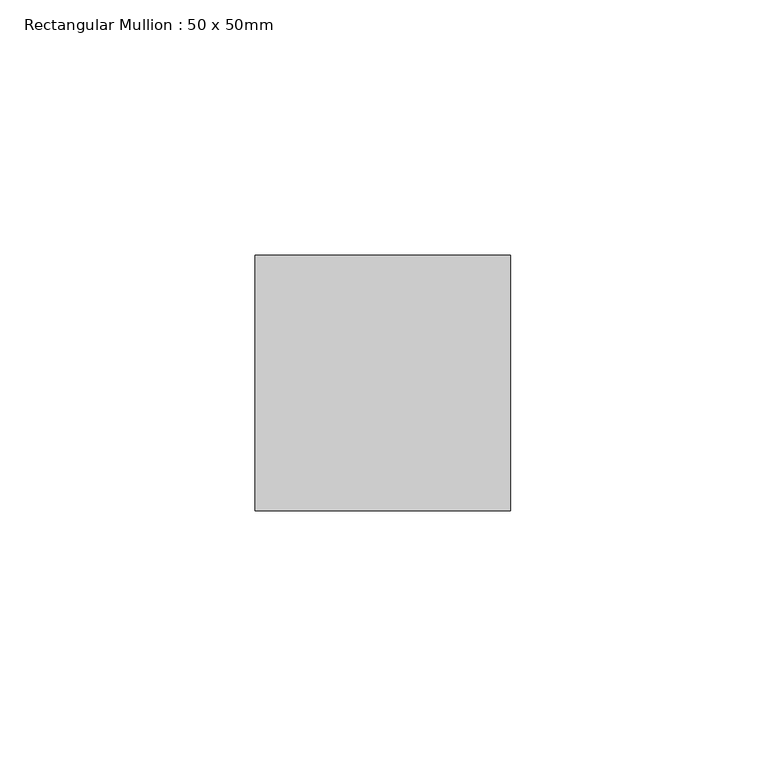
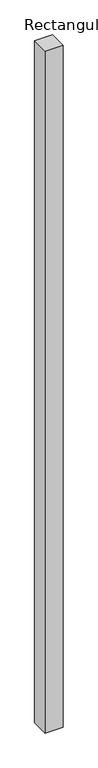
"""IFC4 building model written with IfcOpenShell, lengths in millimetres: member geometry, Rectangular Mullion : 50 x 50mm."""

from ifc_helpers import new_model, si_unit, frame, origin, place, context, project, spatial, polyline, outline, extrude, source, transform, mapped, element, save


def rectangular_mullion_50_x_50mm_85d8e384(model_context):
    return source(origin(), model_context, "Body", "SweptSolid", [
        extrude(outline(polyline([(0.0, 50.0), (0.0, 0.0), (-50.0, 0.0), (-50.0, 50.0), (0.0, 50.0)])), frame((0.0, 0.0, -2000.0), z_axis=(0.0, 0.0, 1.0), x_axis=(1.0, 0.0, 0.0)), (0.0, 0.0, 1.0), 2000.0),
    ])


if __name__ == "__main__":
    model = new_model("IFC4")
    model_context = context("Model", 3, world=origin())
    ifc_project = project(units=[si_unit("LENGTHUNIT", "METRE", prefix="MILLI")], contexts=[model_context])
    site = spatial("IfcSite", under=ifc_project)
    building = spatial("IfcBuilding", under=site)
    placement = place(None, origin())
    rectangular_mullion_50_x_50mm_shape = rectangular_mullion_50_x_50mm_85d8e384(model_context)
    element("IfcMember", 1, ObjectType="Rectangular Mullion : 50 x 50mm", at=placement, inside=building, context=model_context, shape_type="MappedRepresentation", body=[
        mapped(rectangular_mullion_50_x_50mm_shape, transform((0.0, 0.0, 0.0), x_axis=(1.0, 0.0, 0.0), y_axis=(0.0, 1.0, 0.0), z_axis=(0.0, 0.0, 1.0))),
    ])
    save(model, "model.ifc")
